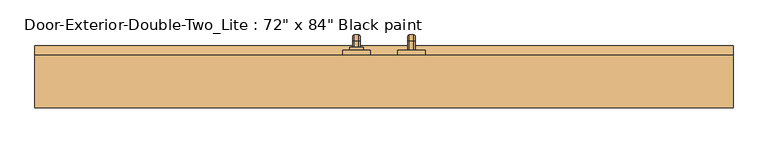
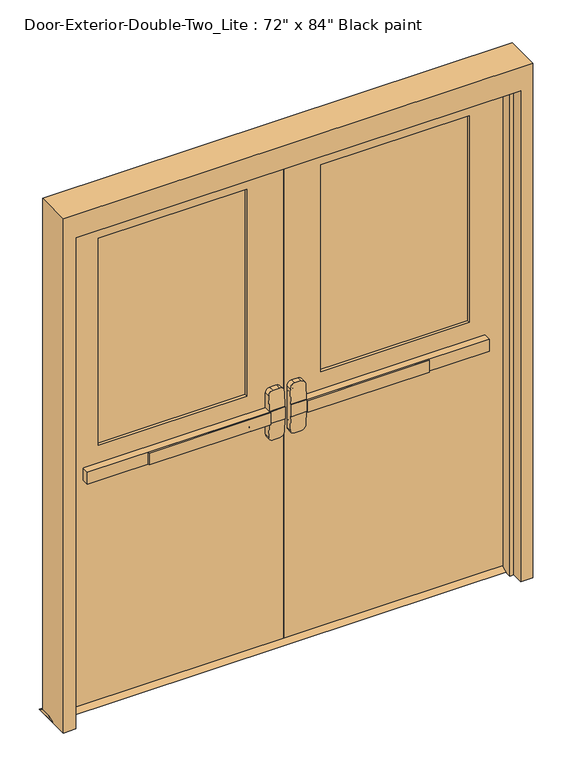
"""IFC4 building model written with IfcOpenShell, lengths in millimetres: door geometry."""

from ifc_helpers import new_model, si_unit, point, frame, frame_2d, origin, place, context, project, spatial, polyline, circle_curve, ellipse_curve, trimmed, segment, composite_curve, outline, extrude, faceted_brep, source, transform, mapped, element, save
from ifc_brep_helpers import plane_surface, cylinder_surface, revolved_surface, advanced_brep


def door_dd08a0de(model_context):
    return source(origin(), model_context, "Body", "SolidModel", [
        extrude(outline(polyline([(-575.7333333, 74.6125), (-575.7333333, 80.9625), (-76.2, 80.9625), (-76.2, 74.6125), (-575.7333333, 74.6125)])), frame((0.0, 0.0, 990.6), z_axis=(0.0, 0.0, 1.0), x_axis=(1.0, 0.0, 0.0)), (0.0, 0.0, 1.0), 50.8),
        advanced_brep(
        [(-12.7, 80.9625, 1041.4), (-76.2, 80.9625, 1041.4), (-825.5, 80.9625, 1041.4), (-825.5, 80.9625, 990.6), (-76.2, 80.9625, 990.6), (-12.7, 80.9625, 990.6), (-825.5, 112.7125, 1041.4), (-76.2, 112.7125, 1041.4), (-76.2, 112.7125, 1104.9), (-57.15, 112.7125, 1123.95), (-31.75, 112.7125, 1123.95), (-12.7, 112.7125, 1104.9), (-12.7, 112.7125, 927.1), (-31.75, 112.7125, 908.05), (-57.15, 112.7125, 908.05), (-76.2, 112.7125, 927.1), (-76.2, 112.7125, 990.6), (-825.5, 112.7125, 990.6), (-12.7, 84.1377467, 1041.4), (-76.2, 84.1377467, 1041.4), (-12.7, 84.1377467, 990.6), (-12.7, 89.1479269, 927.1), (-12.7, 89.1479269, 1104.9), (-76.2, 84.1377467, 990.6), (-76.2, 89.1479269, 1104.9), (-76.2, 89.1479269, 927.1), (-57.15, 90.650981, 1123.95), (-31.75, 90.650981, 1123.95), (-31.75, 90.650981, 908.05), (-57.15, 90.650981, 908.05)],
        [
            (0, 1),
            (1, 2),
            (2, 3),
            (3, 4),
            (4, 5),
            (5, 0),
            (6, 7),
            (7, 8),
            (8, 9, circle_curve(frame((-57.15, 112.7125, 1104.9), z_axis=(0.0, 1.0, 0.0), x_axis=(-1.0, 0.0, 0.0)), 19.05)),
            (9, 10),
            (10, 11, circle_curve(frame((-31.75, 112.7125, 1104.9), z_axis=(0.0, 1.0, 0.0), x_axis=(-1.0, 0.0, 0.0)), 19.05)),
            (11, 12),
            (12, 13, circle_curve(frame((-31.75, 112.7125, 927.1), z_axis=(0.0, 1.0, 0.0), x_axis=(-1.0, 0.0, 0.0)), 19.05)),
            (13, 14),
            (14, 15, circle_curve(frame((-57.15, 112.7125, 927.1), z_axis=(0.0, 1.0, 0.0), x_axis=(-1.0, 0.0, 0.0)), 19.05)),
            (15, 16),
            (16, 17),
            (17, 6),
            (0, 18),
            (18, 19),
            (19, 7),
            (6, 2),
            (5, 20),
            (20, 21),
            (21, 12),
            (11, 22),
            (22, 18),
            (16, 23),
            (23, 20),
            (3, 17),
            (19, 24),
            (24, 8),
            (15, 25),
            (25, 23),
            (9, 26),
            (26, 27),
            (27, 10),
            (13, 28),
            (28, 29),
            (29, 14),
            (29, 25, ellipse_curve(frame((-57.15, 89.1479269, 927.1), z_axis=(0.0, 0.9969018152893365, 0.07865602756830282), x_axis=(0.0, -0.07865602756830208, 0.9969018152893365)), 19.1092038, 19.05)),
            (24, 26, ellipse_curve(frame((-57.15, 89.1479269, 1104.9), z_axis=(0.0, 0.9969018152893376, -0.07865602756828934), x_axis=(0.0, -0.078656027568288, -0.9969018152893377)), 19.1092038, 19.05)),
            (27, 22, ellipse_curve(frame((-31.75, 89.1479269, 1104.9), z_axis=(0.0, 0.9969018152893376, -0.07865602756828934), x_axis=(0.0, -0.078656027568288, -0.9969018152893377)), 19.1092038, 19.05)),
            (21, 28, ellipse_curve(frame((-31.75, 89.1479269, 927.1), z_axis=(0.0, 0.9969018152893365, 0.07865602756830282), x_axis=(0.0, -0.07865602756830208, 0.9969018152893365)), 19.1092038, 19.05)),
        ],
        [
            plane_surface(frame((-12.7, 80.9625, 1041.4), z_axis=(0.0, -1.0, 0.0), x_axis=(1.0, 0.0, 0.0))),
            plane_surface(frame((-12.7, 112.7125, 1041.4), z_axis=(0.0, 1.0, 0.0), x_axis=(-1.0, 0.0, 0.0))),
            plane_surface(frame((-825.5, 80.9625, 1041.4), z_axis=(0.0, 0.0, 1.0), x_axis=(0.0, 1.0, 0.0))),
            plane_surface(frame((-12.7, 80.9625, 1041.4), z_axis=(1.0, 0.0, 0.0), x_axis=(0.0, 1.0, 0.0))),
            plane_surface(frame((-12.7, 80.9625, 990.6), z_axis=(0.0, 0.0, -1.0), x_axis=(0.0, 1.0, 0.0))),
            plane_surface(frame((-825.5, 80.9625, 990.6), z_axis=(-1.0, 0.0, 0.0), x_axis=(0.0, 1.0, 0.0))),
            plane_surface(frame((-76.2, 84.1377467, 927.1), z_axis=(-1.0, 0.0, 0.0), x_axis=(0.0, 1.0, 0.0))),
            plane_surface(frame((-57.15, 84.1377467, 1123.95), z_axis=(0.0, 0.0, 1.0), x_axis=(0.0, 1.0, 0.0))),
            plane_surface(frame((-31.75, 84.1377467, 908.05), z_axis=(0.0, 0.0, -1.0), x_axis=(0.0, 1.0, 0.0))),
            cylinder_surface(frame((-57.15, 112.7125, 927.1), z_axis=(0.0, -1.0, 0.0), x_axis=(-1.0, 0.0, 0.0)), 19.05),
            cylinder_surface(frame((-57.15, 112.7125, 1104.9), z_axis=(0.0, -1.0, 0.0), x_axis=(-1.0, 0.0, 0.0)), 19.05),
            cylinder_surface(frame((-31.75, 112.7125, 1104.9), z_axis=(0.0, -1.0, 0.0), x_axis=(-1.0, 0.0, 0.0)), 19.05),
            cylinder_surface(frame((-31.75, 112.7125, 927.1), z_axis=(0.0, -1.0, 0.0), x_axis=(-1.0, 0.0, 0.0)), 19.05),
            plane_surface(frame((-76.2, 84.1377467, 1041.4), z_axis=(0.0, -0.9969018152893376, 0.07865602756828934), x_axis=(1.0, 0.0, 0.0))),
            plane_surface(frame((-76.2, 90.650981, 908.05), z_axis=(0.0, -0.9969018152893365, -0.07865602756830282), x_axis=(1.0, 0.0, 0.0))),
        ],
        [
            (0, [[1, 2, 3, 4, 5, 6]]),
            (1, [[7, 8, 9, 10, 11, 12, 13, 14, 15, 16, 17, 18]]),
            (2, [[-2, -1, 19, 20, 21, -7, 22]]),
            (3, [[23, 24, 25, -12, 26, 27, -19, -6]]),
            (4, [[-17, 28, 29, -23, -5, -4, 30]]),
            (5, [[-22, -18, -30, -3]]),
            (6, [[-21, 31, 32, -8]]),
            (6, [[33, 34, -28, -16]]),
            (7, [[35, 36, 37, -10]]),
            (8, [[38, 39, 40, -14]]),
            (9, [[-40, 41, -33, -15]]),
            (10, [[-32, 42, -35, -9]]),
            (11, [[-37, 43, -26, -11]]),
            (12, [[-25, 44, -38, -13]]),
            (13, [[-27, -43, -36, -42, -31, -20]]),
            (14, [[-29, -34, -41, -39, -44, -24]]),
        ],
    ),
        extrude(outline(polyline([(157.1625, 12.7), (182.5625, 0.0), (87.3125, 0.0), (112.7125, 12.7), (157.1625, 12.7)])), frame((-965.2, 0.0, 0.0), z_axis=(1.0, 0.0, 0.0), x_axis=(0.0, 1.0, 0.0)), (0.0, 0.0, 1.0), 1930.4),
        extrude(outline(polyline([(575.7333333, 74.6125), (76.2, 74.6125), (76.2, 80.9625), (575.7333333, 80.9625), (575.7333333, 74.6125)])), frame((0.0, 0.0, 990.6), z_axis=(0.0, 0.0, 1.0), x_axis=(1.0, 0.0, 0.0)), (0.0, 0.0, 1.0), 50.8),
        advanced_brep(
        [(12.7, 80.9625, 1041.4), (12.7, 80.9625, 990.6), (76.2, 80.9625, 990.6), (825.5, 80.9625, 990.6), (825.5, 80.9625, 1041.4), (76.2, 80.9625, 1041.4), (825.5, 112.7125, 1041.4), (825.5, 112.7125, 990.6), (76.2, 112.7125, 990.6), (76.2, 112.7125, 927.1), (57.15, 112.7125, 908.05), (31.75, 112.7125, 908.05), (12.7, 112.7125, 927.1), (12.7, 112.7125, 1104.9), (31.75, 112.7125, 1123.95), (57.15, 112.7125, 1123.95), (76.2, 112.7125, 1104.9), (76.2, 112.7125, 1041.4), (76.2, 84.1377467, 1041.4), (12.7, 84.1377467, 1041.4), (12.7, 89.1479269, 1104.9), (12.7, 89.1479269, 927.1), (12.7, 84.1377467, 990.6), (76.2, 84.1377467, 990.6), (76.2, 89.1479269, 927.1), (76.2, 89.1479269, 1104.9), (31.75, 90.650981, 1123.95), (57.15, 90.650981, 1123.95), (57.15, 90.650981, 908.05), (31.75, 90.650981, 908.05)],
        [
            (0, 1),
            (1, 2),
            (2, 3),
            (3, 4),
            (4, 5),
            (5, 0),
            (6, 7),
            (7, 8),
            (8, 9),
            (9, 10, circle_curve(frame((57.15, 112.7125, 927.1), z_axis=(0.0, 1.0, 0.0), x_axis=(1.0, 0.0, 0.0)), 19.05)),
            (10, 11),
            (11, 12, circle_curve(frame((31.75, 112.7125, 927.1), z_axis=(0.0, 1.0, 0.0), x_axis=(1.0, 0.0, 0.0)), 19.05)),
            (12, 13),
            (13, 14, circle_curve(frame((31.75, 112.7125, 1104.9), z_axis=(0.0, 1.0, 0.0), x_axis=(1.0, 0.0, 0.0)), 19.05)),
            (14, 15),
            (15, 16, circle_curve(frame((57.15, 112.7125, 1104.9), z_axis=(0.0, 1.0, 0.0), x_axis=(1.0, 0.0, 0.0)), 19.05)),
            (16, 17),
            (17, 6),
            (4, 6),
            (17, 18),
            (18, 19),
            (19, 0),
            (19, 20),
            (20, 13),
            (12, 21),
            (21, 22),
            (22, 1),
            (7, 3),
            (22, 23),
            (23, 8),
            (23, 24),
            (24, 9),
            (16, 25),
            (25, 18),
            (14, 26),
            (26, 27),
            (27, 15),
            (10, 28),
            (28, 29),
            (29, 11),
            (24, 28, ellipse_curve(frame((57.15, 89.1479269, 927.1), z_axis=(0.0, 0.9969018152893365, 0.07865602756830282), x_axis=(0.0, -0.07865602756830208, 0.9969018152893365)), 19.1092038, 19.05)),
            (27, 25, ellipse_curve(frame((57.15, 89.1479269, 1104.9), z_axis=(0.0, 0.9969018152893376, -0.07865602756828934), x_axis=(0.0, -0.078656027568288, -0.9969018152893377)), 19.1092038, 19.05)),
            (20, 26, ellipse_curve(frame((31.75, 89.1479269, 1104.9), z_axis=(0.0, 0.9969018152893376, -0.07865602756828934), x_axis=(0.0, -0.078656027568288, -0.9969018152893377)), 19.1092038, 19.05)),
            (29, 21, ellipse_curve(frame((31.75, 89.1479269, 927.1), z_axis=(0.0, 0.9969018152893365, 0.07865602756830282), x_axis=(0.0, -0.07865602756830208, 0.9969018152893365)), 19.1092038, 19.05)),
        ],
        [
            plane_surface(frame((12.7, 80.9625, 1041.4), z_axis=(0.0, -1.0, 0.0), x_axis=(-1.0, 0.0, 0.0))),
            plane_surface(frame((12.7, 112.7125, 1041.4), z_axis=(0.0, 1.0, 0.0), x_axis=(1.0, 0.0, 0.0))),
            plane_surface(frame((825.5, 80.9625, 1041.4), z_axis=(0.0, 0.0, 1.0), x_axis=(0.0, 1.0, 0.0))),
            plane_surface(frame((12.7, 80.9625, 1041.4), z_axis=(-1.0, 0.0, 0.0), x_axis=(0.0, 1.0, 0.0))),
            plane_surface(frame((12.7, 80.9625, 990.6), z_axis=(0.0, 0.0, -1.0), x_axis=(0.0, 1.0, 0.0))),
            plane_surface(frame((825.5, 80.9625, 990.6), z_axis=(1.0, 0.0, 0.0), x_axis=(0.0, 1.0, 0.0))),
            plane_surface(frame((76.2, 84.1377467, 927.1), z_axis=(1.0, 0.0, 0.0), x_axis=(0.0, 1.0, 0.0))),
            plane_surface(frame((57.15, 84.1377467, 1123.95), z_axis=(0.0, 0.0, 1.0), x_axis=(0.0, 1.0, 0.0))),
            plane_surface(frame((31.75, 84.1377467, 908.05), z_axis=(0.0, 0.0, -1.0), x_axis=(0.0, 1.0, 0.0))),
            cylinder_surface(frame((57.15, 112.7125, 927.1), z_axis=(0.0, -1.0, 0.0), x_axis=(1.0, 0.0, 0.0)), 19.05),
            cylinder_surface(frame((57.15, 112.7125, 1104.9), z_axis=(0.0, -1.0, 0.0), x_axis=(1.0, 0.0, 0.0)), 19.05),
            cylinder_surface(frame((31.75, 112.7125, 1104.9), z_axis=(0.0, -1.0, 0.0), x_axis=(1.0, 0.0, 0.0)), 19.05),
            cylinder_surface(frame((31.75, 112.7125, 927.1), z_axis=(0.0, -1.0, 0.0), x_axis=(1.0, 0.0, 0.0)), 19.05),
            plane_surface(frame((76.2, 84.1377467, 1041.4), z_axis=(0.0, -0.9969018152893376, 0.07865602756828934), x_axis=(-1.0, 0.0, 0.0))),
            plane_surface(frame((76.2, 90.650981, 908.05), z_axis=(0.0, -0.9969018152893365, -0.07865602756830282), x_axis=(-1.0, 0.0, 0.0))),
        ],
        [
            (0, [[1, 2, 3, 4, 5, 6]]),
            (1, [[7, 8, 9, 10, 11, 12, 13, 14, 15, 16, 17, 18]]),
            (2, [[19, -18, 20, 21, 22, -6, -5]]),
            (3, [[-1, -22, 23, 24, -13, 25, 26, 27]]),
            (4, [[28, -3, -2, -27, 29, 30, -8]]),
            (5, [[-4, -28, -7, -19]]),
            (6, [[-9, -30, 31, 32]]),
            (6, [[-17, 33, 34, -20]]),
            (7, [[-15, 35, 36, 37]]),
            (8, [[-11, 38, 39, 40]]),
            (9, [[-10, -32, 41, -38]]),
            (10, [[-16, -37, 42, -33]]),
            (11, [[-14, -24, 43, -35]]),
            (12, [[-12, -40, 44, -25]]),
            (13, [[-21, -34, -42, -36, -43, -23]]),
            (14, [[-26, -44, -39, -41, -31, -29]]),
        ],
    ),
        advanced_brep(
        [(66.2, 169.8625, 1017.190625), (66.2, 169.8625, 1014.809375), (69.771875, 169.8625, 1011.2375), (82.6284594, 169.8625, 1011.2375), (86.2, 169.8625, 1014.8090406), (86.2, 169.8625, 1017.190625), (82.628125, 169.8625, 1020.7625), (69.771875, 169.8625, 1020.7625), (66.2, 169.8625, 887.809375), (69.771875, 169.8625, 884.2375), (82.628125, 169.8625, 884.2375), (86.2, 169.8625, 887.809375), (86.2, 169.8625, 890.1909594), (82.6284594, 169.8625, 893.7625), (69.771875, 169.8625, 893.7625), (66.2, 169.8625, 890.190625), (66.2, 195.2625, 1017.190625), (66.2, 209.153125, 1003.3), (66.2, 209.153125, 901.7), (66.2, 195.2625, 887.809375), (66.2, 195.2625, 890.190625), (66.2, 206.771875, 901.7), (66.2, 206.771875, 1003.3), (66.2, 195.2625, 1014.809375), (69.771875, 195.2625, 1011.2375), (82.6284594, 195.2625, 1011.2375), (86.2, 195.2625, 1014.8090406), (86.2, 206.7715406, 1003.3), (86.2, 206.7715406, 901.7), (86.2, 195.2625, 890.1909594), (86.2, 195.2625, 887.809375), (86.2, 209.153125, 901.7), (86.2, 209.153125, 1003.3), (86.2, 195.2625, 1017.190625), (82.628125, 195.2625, 1020.7625), (69.771875, 195.2625, 1020.7625), (69.771875, 203.2, 1003.3), (82.6284594, 203.2, 1003.3), (82.628125, 212.725, 1003.3), (69.771875, 212.725, 1003.3), (69.771875, 203.2, 901.7), (82.6284594, 203.2, 901.7), (82.628125, 212.725, 901.7), (69.771875, 212.725, 901.7), (69.771875, 195.2625, 893.7625), (82.6284594, 195.2625, 893.7625), (82.628125, 195.2625, 884.2375), (69.771875, 195.2625, 884.2375)],
        [
            (0, 1),
            (1, 2, circle_curve(frame((69.771875, 169.8625, 1014.809375), z_axis=(0.0, -1.0, 0.0), x_axis=(0.0, 0.0, 1.0)), 3.571875)),
            (2, 3),
            (3, 4, circle_curve(frame((82.6284594, 169.8625, 1014.8090406), z_axis=(0.0, -1.0, 0.0), x_axis=(0.0, 0.0, 1.0)), 3.5715406)),
            (4, 5),
            (5, 6, circle_curve(frame((82.628125, 169.8625, 1017.190625), z_axis=(0.0, -1.0, 0.0), x_axis=(0.0, 0.0, 1.0)), 3.571875)),
            (6, 7),
            (7, 0, circle_curve(frame((69.771875, 169.8625, 1017.190625), z_axis=(0.0, -1.0, 0.0), x_axis=(0.0, 0.0, 1.0)), 3.571875)),
            (8, 9, circle_curve(frame((69.771875, 169.8625, 887.809375), z_axis=(0.0, -1.0, 0.0), x_axis=(0.0, 0.0, -1.0)), 3.571875)),
            (9, 10),
            (10, 11, circle_curve(frame((82.628125, 169.8625, 887.809375), z_axis=(0.0, -1.0, 0.0), x_axis=(0.0, 0.0, -1.0)), 3.571875)),
            (11, 12),
            (12, 13, circle_curve(frame((82.6284594, 169.8625, 890.1909594), z_axis=(0.0, -1.0, 0.0), x_axis=(0.0, 0.0, -1.0)), 3.5715406)),
            (13, 14),
            (14, 15, circle_curve(frame((69.771875, 169.8625, 890.190625), z_axis=(0.0, -1.0, 0.0), x_axis=(0.0, 0.0, -1.0)), 3.571875)),
            (15, 8),
            (0, 16),
            (16, 17, circle_curve(frame((66.2, 195.2625, 1003.3), z_axis=(-1.0, 0.0, 0.0), x_axis=(0.0, 0.0, 1.0)), 13.890625)),
            (17, 18),
            (18, 19, circle_curve(frame((66.2, 195.2625, 901.7), z_axis=(-1.0, 0.0, 0.0), x_axis=(0.0, 1.0, 0.0)), 13.890625)),
            (19, 8),
            (15, 20),
            (20, 21, circle_curve(frame((66.2, 195.2625, 901.7), z_axis=(1.0, 0.0, 0.0), x_axis=(0.0, 1.0, 0.0)), 11.509375)),
            (21, 22),
            (22, 23, circle_curve(frame((66.2, 195.2625, 1003.3), z_axis=(1.0, 0.0, 0.0), x_axis=(0.0, 0.0, 1.0)), 11.509375)),
            (23, 1),
            (23, 24, circle_curve(frame((69.771875, 195.2625, 1014.809375), z_axis=(0.0, -1.0, 0.0), x_axis=(0.0, 0.0, 1.0)), 3.571875)),
            (24, 2),
            (24, 25),
            (25, 3),
            (25, 26, circle_curve(frame((82.6284594, 195.2625, 1014.8090406), z_axis=(0.0, -1.0, 0.0), x_axis=(0.0, 0.0, 1.0)), 3.5715406)),
            (26, 4),
            (26, 27, circle_curve(frame((86.2, 195.2625, 1003.3), z_axis=(-1.0, 0.0, 0.0), x_axis=(0.0, 0.0, 1.0)), 11.5090406)),
            (27, 28),
            (28, 29, circle_curve(frame((86.2, 195.2625, 901.7), z_axis=(-1.0, 0.0, 0.0), x_axis=(0.0, 1.0, 0.0)), 11.5090406)),
            (29, 12),
            (11, 30),
            (30, 31, circle_curve(frame((86.2, 195.2625, 901.7), z_axis=(1.0, 0.0, 0.0), x_axis=(0.0, 1.0, 0.0)), 13.890625)),
            (31, 32),
            (32, 33, circle_curve(frame((86.2, 195.2625, 1003.3), z_axis=(1.0, 0.0, 0.0), x_axis=(0.0, 0.0, 1.0)), 13.890625)),
            (33, 5),
            (33, 34, circle_curve(frame((82.628125, 195.2625, 1017.190625), z_axis=(0.0, -1.0, 0.0), x_axis=(0.0, 0.0, 1.0)), 3.571875)),
            (34, 6),
            (34, 35),
            (35, 7),
            (35, 16, circle_curve(frame((69.771875, 195.2625, 1017.190625), z_axis=(0.0, -1.0, 0.0), x_axis=(0.0, 0.0, 1.0)), 3.571875)),
            (36, 24, circle_curve(frame((69.771875, 195.2625, 1003.3), z_axis=(1.0, 0.0, 0.0), x_axis=(0.0, 0.0, 1.0)), 7.9375)),
            (22, 36, circle_curve(frame((69.771875, 206.771875, 1003.3), z_axis=(0.0, 0.0, 1.0), x_axis=(0.0, 1.0, 0.0)), 3.571875)),
            (37, 25, circle_curve(frame((82.6284594, 195.2625, 1003.3), z_axis=(1.0, 0.0, 0.0), x_axis=(0.0, 0.0, 1.0)), 7.9375)),
            (36, 37),
            (37, 27, circle_curve(frame((82.6284594, 206.7715406, 1003.3), z_axis=(0.0, 0.0, 1.0), x_axis=(0.0, 1.0, 0.0)), 3.5715406)),
            (38, 34, circle_curve(frame((82.628125, 195.2625, 1003.3), z_axis=(1.0, 0.0, 0.0), x_axis=(0.0, 0.0, 1.0)), 17.4625)),
            (32, 38, circle_curve(frame((82.628125, 209.153125, 1003.3), z_axis=(0.0, 0.0, 1.0), x_axis=(0.0, 1.0, 0.0)), 3.571875)),
            (39, 35, circle_curve(frame((69.771875, 195.2625, 1003.3), z_axis=(1.0, 0.0, 0.0), x_axis=(0.0, 0.0, 1.0)), 17.4625)),
            (38, 39),
            (39, 17, circle_curve(frame((69.771875, 209.153125, 1003.3), z_axis=(0.0, 0.0, 1.0), x_axis=(0.0, 1.0, 0.0)), 3.571875)),
            (21, 40, circle_curve(frame((69.771875, 206.771875, 901.7), z_axis=(0.0, 0.0, 1.0), x_axis=(0.0, 1.0, 0.0)), 3.571875)),
            (40, 36),
            (40, 41),
            (41, 37),
            (41, 28, circle_curve(frame((82.6284594, 206.7715406, 901.7), z_axis=(0.0, 0.0, 1.0), x_axis=(0.0, 1.0, 0.0)), 3.5715406)),
            (31, 42, circle_curve(frame((82.628125, 209.153125, 901.7), z_axis=(0.0, 0.0, 1.0), x_axis=(0.0, 1.0, 0.0)), 3.571875)),
            (42, 38),
            (42, 43),
            (43, 39),
            (43, 18, circle_curve(frame((69.771875, 209.153125, 901.7), z_axis=(0.0, 0.0, 1.0), x_axis=(0.0, 1.0, 0.0)), 3.571875)),
            (44, 40, circle_curve(frame((69.771875, 195.2625, 901.7), z_axis=(1.0, 0.0, 0.0), x_axis=(0.0, 1.0, 0.0)), 7.9375)),
            (20, 44, circle_curve(frame((69.771875, 195.2625, 890.190625), z_axis=(0.0, 1.0, 0.0), x_axis=(0.0, 0.0, -1.0)), 3.571875)),
            (45, 41, circle_curve(frame((82.6284594, 195.2625, 901.7), z_axis=(1.0, 0.0, 0.0), x_axis=(0.0, 1.0, 0.0)), 7.9375)),
            (44, 45),
            (45, 29, circle_curve(frame((82.6284594, 195.2625, 890.1909594), z_axis=(0.0, 1.0, 0.0), x_axis=(0.0, 0.0, -1.0)), 3.5715406)),
            (46, 42, circle_curve(frame((82.628125, 195.2625, 901.7), z_axis=(1.0, 0.0, 0.0), x_axis=(0.0, 1.0, 0.0)), 17.4625)),
            (30, 46, circle_curve(frame((82.628125, 195.2625, 887.809375), z_axis=(0.0, 1.0, 0.0), x_axis=(0.0, 0.0, -1.0)), 3.571875)),
            (47, 43, circle_curve(frame((69.771875, 195.2625, 901.7), z_axis=(1.0, 0.0, 0.0), x_axis=(0.0, 1.0, 0.0)), 17.4625)),
            (46, 47),
            (47, 19, circle_curve(frame((69.771875, 195.2625, 887.809375), z_axis=(0.0, 1.0, 0.0), x_axis=(0.0, 0.0, -1.0)), 3.571875)),
            (14, 44),
            (13, 45),
            (10, 46),
            (9, 47),
        ],
        [
            plane_surface(frame((76.2, 169.8625, 1016.0), z_axis=(0.0, -1.0, 0.0), x_axis=(1.0, 0.0, 0.0))),
            plane_surface(frame((76.2, 169.8625, 889.0), z_axis=(0.0, -1.0, 0.0), x_axis=(1.0, 0.0, 0.0))),
            plane_surface(frame((66.2, 169.8625, 1017.190625), z_axis=(-1.0, 0.0, 0.0), x_axis=(0.0, 1.0, 0.0))),
            cylinder_surface(frame((69.771875, 169.8625, 1014.809375), z_axis=(0.0, -1.0, 0.0), x_axis=(0.0, 0.0, 1.0)), 3.571875),
            plane_surface(frame((69.771875, 169.8625, 1011.2375), z_axis=(0.0, 0.0, -1.0), x_axis=(0.0, 1.0, 0.0))),
            cylinder_surface(frame((82.6284594, 169.8625, 1014.8090406), z_axis=(0.0, -1.0, 0.0), x_axis=(0.0, 0.0, 1.0)), 3.5715406),
            plane_surface(frame((86.2, 169.8625, 1014.8090406), z_axis=(1.0, 0.0, 0.0), x_axis=(0.0, 1.0, 0.0))),
            cylinder_surface(frame((82.628125, 169.8625, 1017.190625), z_axis=(0.0, -1.0, 0.0), x_axis=(0.0, 0.0, 1.0)), 3.571875),
            plane_surface(frame((82.628125, 169.8625, 1020.7625), z_axis=(0.0, 0.0, 1.0), x_axis=(0.0, 1.0, 0.0))),
            cylinder_surface(frame((69.771875, 169.8625, 1017.190625), z_axis=(0.0, -1.0, 0.0), x_axis=(0.0, 0.0, 1.0)), 3.571875),
            revolved_surface(trimmed(ellipse_curve(frame((69.771875, 195.2625, 1014.809375), z_axis=(0.0, -1.0, 0.0), x_axis=(0.0, 0.0, 1.0)), 3.571875, 3.571875), [point((66.2, 195.2625, 1014.809375))], [point((69.771875, 195.2625, 1011.2375))], True, "CARTESIAN"), (76.2, 195.2625, 1003.3), (-1.0, 0.0, 0.0)),
            revolved_surface(polyline([(69.771875, 195.2625, 1011.2375), (82.6284594, 195.2625, 1011.2375)]), (76.2, 195.2625, 1003.3), (-1.0, 0.0, 0.0)),
            revolved_surface(trimmed(ellipse_curve(frame((82.6284594, 195.2625, 1014.8090406), z_axis=(0.0, -1.0, 0.0), x_axis=(0.0, 0.0, 1.0)), 3.5715406, 3.5715406), [point((82.6284594, 195.2625, 1011.2375))], [point((86.2, 195.2625, 1014.8090406))], True, "CARTESIAN"), (76.2, 195.2625, 1003.3), (-1.0, 0.0, 0.0)),
            revolved_surface(trimmed(ellipse_curve(frame((82.628125, 195.2625, 1017.190625), z_axis=(0.0, -1.0, 0.0), x_axis=(0.0, 0.0, 1.0)), 3.571875, 3.571875), [point((86.2, 195.2625, 1017.190625))], [point((82.628125, 195.2625, 1020.7625))], True, "CARTESIAN"), (76.2, 195.2625, 1003.3), (-1.0, 0.0, 0.0)),
            cylinder_surface(frame((76.2, 195.2625, 1003.3), z_axis=(-1.0, 0.0, 0.0), x_axis=(0.0, 0.0, 1.0)), 17.4625),
            revolved_surface(trimmed(ellipse_curve(frame((69.771875, 195.2625, 1017.190625), z_axis=(0.0, -1.0, 0.0), x_axis=(0.0, 0.0, 1.0)), 3.571875, 3.571875), [point((69.771875, 195.2625, 1020.7625))], [point((66.2, 195.2625, 1017.190625))], True, "CARTESIAN"), (76.2, 195.2625, 1003.3), (-1.0, 0.0, 0.0)),
            cylinder_surface(frame((69.771875, 206.771875, 1003.3), z_axis=(0.0, 0.0, 1.0), x_axis=(0.0, 1.0, 0.0)), 3.571875),
            plane_surface(frame((69.771875, 203.2, 1003.3), z_axis=(0.0, -1.0, 0.0), x_axis=(0.0, 0.0, -1.0))),
            cylinder_surface(frame((82.6284594, 206.7715406, 1003.3), z_axis=(0.0, 0.0, 1.0), x_axis=(0.0, 1.0, 0.0)), 3.5715406),
            cylinder_surface(frame((82.628125, 209.153125, 1003.3), z_axis=(0.0, 0.0, 1.0), x_axis=(0.0, 1.0, 0.0)), 3.571875),
            plane_surface(frame((82.628125, 212.725, 1003.3), z_axis=(0.0, 1.0, 0.0), x_axis=(0.0, 0.0, -1.0))),
            cylinder_surface(frame((69.771875, 209.153125, 1003.3), z_axis=(0.0, 0.0, 1.0), x_axis=(0.0, 1.0, 0.0)), 3.571875),
            revolved_surface(trimmed(ellipse_curve(frame((69.771875, 206.771875, 901.7), z_axis=(0.0, 0.0, 1.0), x_axis=(0.0, 1.0, 0.0)), 3.571875, 3.571875), [point((66.2, 206.771875, 901.7))], [point((69.771875, 203.2, 901.7))], True, "CARTESIAN"), (76.2, 195.2625, 901.7), (-1.0, 0.0, 0.0)),
            revolved_surface(polyline([(69.771875, 203.2, 901.7), (82.6284594, 203.2, 901.7)]), (76.2, 195.2625, 901.7), (-1.0, 0.0, 0.0)),
            revolved_surface(trimmed(ellipse_curve(frame((82.6284594, 206.7715406, 901.7), z_axis=(0.0, 0.0, 1.0), x_axis=(0.0, 1.0, 0.0)), 3.5715406, 3.5715406), [point((82.6284594, 203.2, 901.7))], [point((86.2, 206.7715406, 901.7))], True, "CARTESIAN"), (76.2, 195.2625, 901.7), (-1.0, 0.0, 0.0)),
            revolved_surface(trimmed(ellipse_curve(frame((82.628125, 209.153125, 901.7), z_axis=(0.0, 0.0, 1.0), x_axis=(0.0, 1.0, 0.0)), 3.571875, 3.571875), [point((86.2, 209.153125, 901.7))], [point((82.628125, 212.725, 901.7))], True, "CARTESIAN"), (76.2, 195.2625, 901.7), (-1.0, 0.0, 0.0)),
            cylinder_surface(frame((76.2, 195.2625, 901.7), z_axis=(-1.0, 0.0, 0.0), x_axis=(0.0, 1.0, 0.0)), 17.4625),
            revolved_surface(trimmed(ellipse_curve(frame((69.771875, 209.153125, 901.7), z_axis=(0.0, 0.0, 1.0), x_axis=(0.0, 1.0, 0.0)), 3.571875, 3.571875), [point((69.771875, 212.725, 901.7))], [point((66.2, 209.153125, 901.7))], True, "CARTESIAN"), (76.2, 195.2625, 901.7), (-1.0, 0.0, 0.0)),
            cylinder_surface(frame((69.771875, 195.2625, 890.190625), z_axis=(0.0, 1.0, 0.0), x_axis=(0.0, 0.0, -1.0)), 3.571875),
            plane_surface(frame((69.771875, 195.2625, 893.7625), z_axis=(0.0, 0.0, 1.0), x_axis=(0.0, -1.0, 0.0))),
            cylinder_surface(frame((82.6284594, 195.2625, 890.1909594), z_axis=(0.0, 1.0, 0.0), x_axis=(0.0, 0.0, -1.0)), 3.5715406),
            cylinder_surface(frame((82.628125, 195.2625, 887.809375), z_axis=(0.0, 1.0, 0.0), x_axis=(0.0, 0.0, -1.0)), 3.571875),
            plane_surface(frame((82.628125, 195.2625, 884.2375), z_axis=(0.0, 0.0, -1.0), x_axis=(0.0, -1.0, 0.0))),
            cylinder_surface(frame((69.771875, 195.2625, 887.809375), z_axis=(0.0, 1.0, 0.0), x_axis=(0.0, 0.0, -1.0)), 3.571875),
        ],
        [
            (0, [[1, 2, 3, 4, 5, 6, 7, 8]]),
            (1, [[9, 10, 11, 12, 13, 14, 15, 16]]),
            (2, [[-1, 17, 18, 19, 20, 21, -16, 22, 23, 24, 25, 26]]),
            (3, [[-2, -26, 27, 28]]),
            (4, [[-3, -28, 29, 30]]),
            (5, [[-4, -30, 31, 32]]),
            (6, [[-5, -32, 33, 34, 35, 36, -12, 37, 38, 39, 40, 41]]),
            (7, [[-6, -41, 42, 43]]),
            (8, [[-7, -43, 44, 45]]),
            (9, [[-8, -45, 46, -17]]),
            (10, [[47, -27, -25, 48]]),
            (11, [[49, -29, -47, 50]]),
            (12, [[-33, -31, -49, 51]]),
            (13, [[52, -42, -40, 53]]),
            (14, [[54, -44, -52, 55]]),
            (15, [[-18, -46, -54, 56]]),
            (16, [[-48, -24, 57, 58]]),
            (17, [[-50, -58, 59, 60]]),
            (18, [[-51, -60, 61, -34]]),
            (19, [[-53, -39, 62, 63]]),
            (20, [[-55, -63, 64, 65]]),
            (21, [[-56, -65, 66, -19]]),
            (22, [[67, -57, -23, 68]]),
            (23, [[69, -59, -67, 70]]),
            (24, [[-35, -61, -69, 71]]),
            (25, [[72, -62, -38, 73]]),
            (26, [[74, -64, -72, 75]]),
            (27, [[-20, -66, -74, 76]]),
            (28, [[-68, -22, -15, 77]]),
            (29, [[-70, -77, -14, 78]]),
            (30, [[-71, -78, -13, -36]]),
            (31, [[-73, -37, -11, 79]]),
            (32, [[-75, -79, -10, 80]]),
            (33, [[-76, -80, -9, -21]]),
        ],
    ),
        extrude(outline(composite_curve([segment(trimmed(circle_curve(frame_2d((1113.0338574, 76.2)), 89.3016225), [point((1193.8, 114.3))], [point((1193.8, 38.1))], False, "CARTESIAN"), True, "CONTINUOUS"), segment(polyline([(1193.8, 38.1), (838.2, 38.1)]), True, "CONTINUOUS"), segment(trimmed(circle_curve(frame_2d((918.9661426, 76.2)), 89.3016225), [point((838.2, 38.1))], [point((838.2, 114.3))], False, "CARTESIAN"), True, "CONTINUOUS"), segment(polyline([(838.2, 114.3), (1193.8, 114.3)]), True, "CONTINUOUS")], self_intersect=False)), frame((0.0, 157.1625, 0.0), z_axis=(0.0, 1.0, 0.0), x_axis=(0.0, 0.0, 1.0)), (0.0, 0.0, 1.0), 12.7),
        advanced_brep(
        [(-86.2, 169.8625, 1017.190625), (-86.2, 169.8625, 1014.809375), (-82.628125, 169.8625, 1011.2375), (-69.7715406, 169.8625, 1011.2375), (-66.2, 169.8625, 1014.8090406), (-66.2, 169.8625, 1017.190625), (-69.771875, 169.8625, 1020.7625), (-82.628125, 169.8625, 1020.7625), (-86.2, 169.8625, 887.809375), (-82.628125, 169.8625, 884.2375), (-69.771875, 169.8625, 884.2375), (-66.2, 169.8625, 887.809375), (-66.2, 169.8625, 890.1909594), (-69.7715406, 169.8625, 893.7625), (-82.628125, 169.8625, 893.7625), (-86.2, 169.8625, 890.190625), (-86.2, 195.2625, 1017.190625), (-86.2, 209.153125, 1003.3), (-86.2, 209.153125, 901.7), (-86.2, 195.2625, 887.809375), (-86.2, 195.2625, 890.190625), (-86.2, 206.771875, 901.7), (-86.2, 206.771875, 1003.3), (-86.2, 195.2625, 1014.809375), (-82.628125, 195.2625, 1011.2375), (-69.7715406, 195.2625, 1011.2375), (-66.2, 195.2625, 1014.8090406), (-66.2, 206.7715406, 1003.3), (-66.2, 206.7715406, 901.7), (-66.2, 195.2625, 890.1909594), (-66.2, 195.2625, 887.809375), (-66.2, 209.153125, 901.7), (-66.2, 209.153125, 1003.3), (-66.2, 195.2625, 1017.190625), (-69.771875, 195.2625, 1020.7625), (-82.628125, 195.2625, 1020.7625), (-82.628125, 203.2, 1003.3), (-69.7715406, 203.2, 1003.3), (-69.771875, 212.725, 1003.3), (-82.628125, 212.725, 1003.3), (-82.628125, 203.2, 901.7), (-69.7715406, 203.2, 901.7), (-69.771875, 212.725, 901.7), (-82.628125, 212.725, 901.7), (-82.628125, 195.2625, 893.7625), (-69.7715406, 195.2625, 893.7625), (-69.771875, 195.2625, 884.2375), (-82.628125, 195.2625, 884.2375)],
        [
            (0, 1),
            (1, 2, circle_curve(frame((-82.628125, 169.8625, 1014.809375), z_axis=(0.0, -1.0, 0.0), x_axis=(0.0, 0.0, 1.0)), 3.571875)),
            (2, 3),
            (3, 4, circle_curve(frame((-69.7715406, 169.8625, 1014.8090406), z_axis=(0.0, -1.0, 0.0), x_axis=(0.0, 0.0, 1.0)), 3.5715406)),
            (4, 5),
            (5, 6, circle_curve(frame((-69.771875, 169.8625, 1017.190625), z_axis=(0.0, -1.0, 0.0), x_axis=(0.0, 0.0, 1.0)), 3.571875)),
            (6, 7),
            (7, 0, circle_curve(frame((-82.628125, 169.8625, 1017.190625), z_axis=(0.0, -1.0, 0.0), x_axis=(0.0, 0.0, 1.0)), 3.571875)),
            (8, 9, circle_curve(frame((-82.628125, 169.8625, 887.809375), z_axis=(0.0, -1.0, 0.0), x_axis=(0.0, 0.0, -1.0)), 3.571875)),
            (9, 10),
            (10, 11, circle_curve(frame((-69.771875, 169.8625, 887.809375), z_axis=(0.0, -1.0, 0.0), x_axis=(0.0, 0.0, -1.0)), 3.571875)),
            (11, 12),
            (12, 13, circle_curve(frame((-69.7715406, 169.8625, 890.1909594), z_axis=(0.0, -1.0, 0.0), x_axis=(0.0, 0.0, -1.0)), 3.5715406)),
            (13, 14),
            (14, 15, circle_curve(frame((-82.628125, 169.8625, 890.190625), z_axis=(0.0, -1.0, 0.0), x_axis=(0.0, 0.0, -1.0)), 3.571875)),
            (15, 8),
            (0, 16),
            (16, 17, circle_curve(frame((-86.2, 195.2625, 1003.3), z_axis=(-1.0, 0.0, 0.0), x_axis=(0.0, 0.0, 1.0)), 13.890625)),
            (17, 18),
            (18, 19, circle_curve(frame((-86.2, 195.2625, 901.7), z_axis=(-1.0, 0.0, 0.0), x_axis=(0.0, 1.0, 0.0)), 13.890625)),
            (19, 8),
            (15, 20),
            (20, 21, circle_curve(frame((-86.2, 195.2625, 901.7), z_axis=(1.0, 0.0, 0.0), x_axis=(0.0, 1.0, 0.0)), 11.509375)),
            (21, 22),
            (22, 23, circle_curve(frame((-86.2, 195.2625, 1003.3), z_axis=(1.0, 0.0, 0.0), x_axis=(0.0, 0.0, 1.0)), 11.509375)),
            (23, 1),
            (23, 24, circle_curve(frame((-82.628125, 195.2625, 1014.809375), z_axis=(0.0, -1.0, 0.0), x_axis=(0.0, 0.0, 1.0)), 3.571875)),
            (24, 2),
            (24, 25),
            (25, 3),
            (25, 26, circle_curve(frame((-69.7715406, 195.2625, 1014.8090406), z_axis=(0.0, -1.0, 0.0), x_axis=(0.0, 0.0, 1.0)), 3.5715406)),
            (26, 4),
            (26, 27, circle_curve(frame((-66.2, 195.2625, 1003.3), z_axis=(-1.0, 0.0, 0.0), x_axis=(0.0, 0.0, 1.0)), 11.5090406)),
            (27, 28),
            (28, 29, circle_curve(frame((-66.2, 195.2625, 901.7), z_axis=(-1.0, 0.0, 0.0), x_axis=(0.0, 1.0, 0.0)), 11.5090406)),
            (29, 12),
            (11, 30),
            (30, 31, circle_curve(frame((-66.2, 195.2625, 901.7), z_axis=(1.0, 0.0, 0.0), x_axis=(0.0, 1.0, 0.0)), 13.890625)),
            (31, 32),
            (32, 33, circle_curve(frame((-66.2, 195.2625, 1003.3), z_axis=(1.0, 0.0, 0.0), x_axis=(0.0, 0.0, 1.0)), 13.890625)),
            (33, 5),
            (33, 34, circle_curve(frame((-69.771875, 195.2625, 1017.190625), z_axis=(0.0, -1.0, 0.0), x_axis=(0.0, 0.0, 1.0)), 3.571875)),
            (34, 6),
            (34, 35),
            (35, 7),
            (35, 16, circle_curve(frame((-82.628125, 195.2625, 1017.190625), z_axis=(0.0, -1.0, 0.0), x_axis=(0.0, 0.0, 1.0)), 3.571875)),
            (36, 24, circle_curve(frame((-82.628125, 195.2625, 1003.3), z_axis=(1.0, 0.0, 0.0), x_axis=(0.0, 0.0, 1.0)), 7.9375)),
            (22, 36, circle_curve(frame((-82.628125, 206.771875, 1003.3), z_axis=(0.0, 0.0, 1.0), x_axis=(0.0, 1.0, 0.0)), 3.571875)),
            (37, 25, circle_curve(frame((-69.7715406, 195.2625, 1003.3), z_axis=(1.0, 0.0, 0.0), x_axis=(0.0, 0.0, 1.0)), 7.9375)),
            (36, 37),
            (37, 27, circle_curve(frame((-69.7715406, 206.7715406, 1003.3), z_axis=(0.0, 0.0, 1.0), x_axis=(0.0, 1.0, 0.0)), 3.5715406)),
            (38, 34, circle_curve(frame((-69.771875, 195.2625, 1003.3), z_axis=(1.0, 0.0, 0.0), x_axis=(0.0, 0.0, 1.0)), 17.4625)),
            (32, 38, circle_curve(frame((-69.771875, 209.153125, 1003.3), z_axis=(0.0, 0.0, 1.0), x_axis=(0.0, 1.0, 0.0)), 3.571875)),
            (39, 35, circle_curve(frame((-82.628125, 195.2625, 1003.3), z_axis=(1.0, 0.0, 0.0), x_axis=(0.0, 0.0, 1.0)), 17.4625)),
            (38, 39),
            (39, 17, circle_curve(frame((-82.628125, 209.153125, 1003.3), z_axis=(0.0, 0.0, 1.0), x_axis=(0.0, 1.0, 0.0)), 3.571875)),
            (21, 40, circle_curve(frame((-82.628125, 206.771875, 901.7), z_axis=(0.0, 0.0, 1.0), x_axis=(0.0, 1.0, 0.0)), 3.571875)),
            (40, 36),
            (40, 41),
            (41, 37),
            (41, 28, circle_curve(frame((-69.7715406, 206.7715406, 901.7), z_axis=(0.0, 0.0, 1.0), x_axis=(0.0, 1.0, 0.0)), 3.5715406)),
            (31, 42, circle_curve(frame((-69.771875, 209.153125, 901.7), z_axis=(0.0, 0.0, 1.0), x_axis=(0.0, 1.0, 0.0)), 3.571875)),
            (42, 38),
            (42, 43),
            (43, 39),
            (43, 18, circle_curve(frame((-82.628125, 209.153125, 901.7), z_axis=(0.0, 0.0, 1.0), x_axis=(0.0, 1.0, 0.0)), 3.571875)),
            (44, 40, circle_curve(frame((-82.628125, 195.2625, 901.7), z_axis=(1.0, 0.0, 0.0), x_axis=(0.0, 1.0, 0.0)), 7.9375)),
            (20, 44, circle_curve(frame((-82.628125, 195.2625, 890.190625), z_axis=(0.0, 1.0, 0.0), x_axis=(0.0, 0.0, -1.0)), 3.571875)),
            (45, 41, circle_curve(frame((-69.7715406, 195.2625, 901.7), z_axis=(1.0, 0.0, 0.0), x_axis=(0.0, 1.0, 0.0)), 7.9375)),
            (44, 45),
            (45, 29, circle_curve(frame((-69.7715406, 195.2625, 890.1909594), z_axis=(0.0, 1.0, 0.0), x_axis=(0.0, 0.0, -1.0)), 3.5715406)),
            (46, 42, circle_curve(frame((-69.771875, 195.2625, 901.7), z_axis=(1.0, 0.0, 0.0), x_axis=(0.0, 1.0, 0.0)), 17.4625)),
            (30, 46, circle_curve(frame((-69.771875, 195.2625, 887.809375), z_axis=(0.0, 1.0, 0.0), x_axis=(0.0, 0.0, -1.0)), 3.571875)),
            (47, 43, circle_curve(frame((-82.628125, 195.2625, 901.7), z_axis=(1.0, 0.0, 0.0), x_axis=(0.0, 1.0, 0.0)), 17.4625)),
            (46, 47),
            (47, 19, circle_curve(frame((-82.628125, 195.2625, 887.809375), z_axis=(0.0, 1.0, 0.0), x_axis=(0.0, 0.0, -1.0)), 3.571875)),
            (14, 44),
            (13, 45),
            (10, 46),
            (9, 47),
        ],
        [
            plane_surface(frame((-76.2, 169.8625, 1016.0), z_axis=(0.0, -1.0, 0.0), x_axis=(1.0, 0.0, 0.0))),
            plane_surface(frame((-76.2, 169.8625, 889.0), z_axis=(0.0, -1.0, 0.0), x_axis=(1.0, 0.0, 0.0))),
            plane_surface(frame((-86.2, 169.8625, 1017.190625), z_axis=(-1.0, 0.0, 0.0), x_axis=(0.0, 1.0, 0.0))),
            cylinder_surface(frame((-82.628125, 169.8625, 1014.809375), z_axis=(0.0, -1.0, 0.0), x_axis=(0.0, 0.0, 1.0)), 3.571875),
            plane_surface(frame((-82.628125, 169.8625, 1011.2375), z_axis=(0.0, 0.0, -1.0), x_axis=(0.0, 1.0, 0.0))),
            cylinder_surface(frame((-69.7715406, 169.8625, 1014.8090406), z_axis=(0.0, -1.0, 0.0), x_axis=(0.0, 0.0, 1.0)), 3.5715406),
            plane_surface(frame((-66.2, 169.8625, 1014.8090406), z_axis=(1.0, 0.0, 0.0), x_axis=(0.0, 1.0, 0.0))),
            cylinder_surface(frame((-69.771875, 169.8625, 1017.190625), z_axis=(0.0, -1.0, 0.0), x_axis=(0.0, 0.0, 1.0)), 3.571875),
            plane_surface(frame((-69.771875, 169.8625, 1020.7625), z_axis=(0.0, 0.0, 1.0), x_axis=(0.0, 1.0, 0.0))),
            cylinder_surface(frame((-82.628125, 169.8625, 1017.190625), z_axis=(0.0, -1.0, 0.0), x_axis=(0.0, 0.0, 1.0)), 3.571875),
            revolved_surface(trimmed(ellipse_curve(frame((-82.628125, 195.2625, 1014.809375), z_axis=(0.0, -1.0, 0.0), x_axis=(0.0, 0.0, 1.0)), 3.571875, 3.571875), [point((-86.2, 195.2625, 1014.809375))], [point((-82.628125, 195.2625, 1011.2375))], True, "CARTESIAN"), (-76.2, 195.2625, 1003.3), (-1.0, 0.0, 0.0)),
            revolved_surface(polyline([(-82.628125, 195.2625, 1011.2375), (-69.7715406, 195.2625, 1011.2375)]), (-76.2, 195.2625, 1003.3), (-1.0, 0.0, 0.0)),
            revolved_surface(trimmed(ellipse_curve(frame((-69.7715406, 195.2625, 1014.8090406), z_axis=(0.0, -1.0, 0.0), x_axis=(0.0, 0.0, 1.0)), 3.5715406, 3.5715406), [point((-69.7715406, 195.2625, 1011.2375))], [point((-66.2, 195.2625, 1014.8090406))], True, "CARTESIAN"), (-76.2, 195.2625, 1003.3), (-1.0, 0.0, 0.0)),
            revolved_surface(trimmed(ellipse_curve(frame((-69.771875, 195.2625, 1017.190625), z_axis=(0.0, -1.0, 0.0), x_axis=(0.0, 0.0, 1.0)), 3.571875, 3.571875), [point((-66.2, 195.2625, 1017.190625))], [point((-69.771875, 195.2625, 1020.7625))], True, "CARTESIAN"), (-76.2, 195.2625, 1003.3), (-1.0, 0.0, 0.0)),
            cylinder_surface(frame((-76.2, 195.2625, 1003.3), z_axis=(-1.0, 0.0, 0.0), x_axis=(0.0, 0.0, 1.0)), 17.4625),
            revolved_surface(trimmed(ellipse_curve(frame((-82.628125, 195.2625, 1017.190625), z_axis=(0.0, -1.0, 0.0), x_axis=(0.0, 0.0, 1.0)), 3.571875, 3.571875), [point((-82.628125, 195.2625, 1020.7625))], [point((-86.2, 195.2625, 1017.190625))], True, "CARTESIAN"), (-76.2, 195.2625, 1003.3), (-1.0, 0.0, 0.0)),
            cylinder_surface(frame((-82.628125, 206.771875, 1003.3), z_axis=(0.0, 0.0, 1.0), x_axis=(0.0, 1.0, 0.0)), 3.571875),
            plane_surface(frame((-82.628125, 203.2, 1003.3), z_axis=(0.0, -1.0, 0.0), x_axis=(0.0, 0.0, -1.0))),
            cylinder_surface(frame((-69.7715406, 206.7715406, 1003.3), z_axis=(0.0, 0.0, 1.0), x_axis=(0.0, 1.0, 0.0)), 3.5715406),
            cylinder_surface(frame((-69.771875, 209.153125, 1003.3), z_axis=(0.0, 0.0, 1.0), x_axis=(0.0, 1.0, 0.0)), 3.571875),
            plane_surface(frame((-69.771875, 212.725, 1003.3), z_axis=(0.0, 1.0, 0.0), x_axis=(0.0, 0.0, -1.0))),
            cylinder_surface(frame((-82.628125, 209.153125, 1003.3), z_axis=(0.0, 0.0, 1.0), x_axis=(0.0, 1.0, 0.0)), 3.571875),
            revolved_surface(trimmed(ellipse_curve(frame((-82.628125, 206.771875, 901.7), z_axis=(0.0, 0.0, 1.0), x_axis=(0.0, 1.0, 0.0)), 3.571875, 3.571875), [point((-86.2, 206.771875, 901.7))], [point((-82.628125, 203.2, 901.7))], True, "CARTESIAN"), (-76.2, 195.2625, 901.7), (-1.0, 0.0, 0.0)),
            revolved_surface(polyline([(-82.628125, 203.2, 901.7), (-69.7715406, 203.2, 901.7)]), (-76.2, 195.2625, 901.7), (-1.0, 0.0, 0.0)),
            revolved_surface(trimmed(ellipse_curve(frame((-69.7715406, 206.7715406, 901.7), z_axis=(0.0, 0.0, 1.0), x_axis=(0.0, 1.0, 0.0)), 3.5715406, 3.5715406), [point((-69.7715406, 203.2, 901.7))], [point((-66.2, 206.7715406, 901.7))], True, "CARTESIAN"), (-76.2, 195.2625, 901.7), (-1.0, 0.0, 0.0)),
            revolved_surface(trimmed(ellipse_curve(frame((-69.771875, 209.153125, 901.7), z_axis=(0.0, 0.0, 1.0), x_axis=(0.0, 1.0, 0.0)), 3.571875, 3.571875), [point((-66.2, 209.153125, 901.7))], [point((-69.771875, 212.725, 901.7))], True, "CARTESIAN"), (-76.2, 195.2625, 901.7), (-1.0, 0.0, 0.0)),
            cylinder_surface(frame((-76.2, 195.2625, 901.7), z_axis=(-1.0, 0.0, 0.0), x_axis=(0.0, 1.0, 0.0)), 17.4625),
            revolved_surface(trimmed(ellipse_curve(frame((-82.628125, 209.153125, 901.7), z_axis=(0.0, 0.0, 1.0), x_axis=(0.0, 1.0, 0.0)), 3.571875, 3.571875), [point((-82.628125, 212.725, 901.7))], [point((-86.2, 209.153125, 901.7))], True, "CARTESIAN"), (-76.2, 195.2625, 901.7), (-1.0, 0.0, 0.0)),
            cylinder_surface(frame((-82.628125, 195.2625, 890.190625), z_axis=(0.0, 1.0, 0.0), x_axis=(0.0, 0.0, -1.0)), 3.571875),
            plane_surface(frame((-82.628125, 195.2625, 893.7625), z_axis=(0.0, 0.0, 1.0), x_axis=(0.0, -1.0, 0.0))),
            cylinder_surface(frame((-69.7715406, 195.2625, 890.1909594), z_axis=(0.0, 1.0, 0.0), x_axis=(0.0, 0.0, -1.0)), 3.5715406),
            cylinder_surface(frame((-69.771875, 195.2625, 887.809375), z_axis=(0.0, 1.0, 0.0), x_axis=(0.0, 0.0, -1.0)), 3.571875),
            plane_surface(frame((-69.771875, 195.2625, 884.2375), z_axis=(0.0, 0.0, -1.0), x_axis=(0.0, -1.0, 0.0))),
            cylinder_surface(frame((-82.628125, 195.2625, 887.809375), z_axis=(0.0, 1.0, 0.0), x_axis=(0.0, 0.0, -1.0)), 3.571875),
        ],
        [
            (0, [[1, 2, 3, 4, 5, 6, 7, 8]]),
            (1, [[9, 10, 11, 12, 13, 14, 15, 16]]),
            (2, [[-1, 17, 18, 19, 20, 21, -16, 22, 23, 24, 25, 26]]),
            (3, [[-2, -26, 27, 28]]),
            (4, [[-3, -28, 29, 30]]),
            (5, [[-4, -30, 31, 32]]),
            (6, [[-5, -32, 33, 34, 35, 36, -12, 37, 38, 39, 40, 41]]),
            (7, [[-6, -41, 42, 43]]),
            (8, [[-7, -43, 44, 45]]),
            (9, [[-8, -45, 46, -17]]),
            (10, [[47, -27, -25, 48]]),
            (11, [[49, -29, -47, 50]]),
            (12, [[-33, -31, -49, 51]]),
            (13, [[52, -42, -40, 53]]),
            (14, [[54, -44, -52, 55]]),
            (15, [[-18, -46, -54, 56]]),
            (16, [[-48, -24, 57, 58]]),
            (17, [[-50, -58, 59, 60]]),
            (18, [[-51, -60, 61, -34]]),
            (19, [[-53, -39, 62, 63]]),
            (20, [[-55, -63, 64, 65]]),
            (21, [[-56, -65, 66, -19]]),
            (22, [[67, -57, -23, 68]]),
            (23, [[69, -59, -67, 70]]),
            (24, [[-35, -61, -69, 71]]),
            (25, [[72, -62, -38, 73]]),
            (26, [[74, -64, -72, 75]]),
            (27, [[-20, -66, -74, 76]]),
            (28, [[-68, -22, -15, 77]]),
            (29, [[-70, -77, -14, 78]]),
            (30, [[-71, -78, -13, -36]]),
            (31, [[-73, -37, -11, 79]]),
            (32, [[-75, -79, -10, 80]]),
            (33, [[-76, -80, -9, -21]]),
        ],
    ),
        extrude(outline(composite_curve([segment(trimmed(circle_curve(frame_2d((1117.6, -76.2)), 19.0), [point((1117.6, -95.2))], [point((1117.6, -57.2))], False, "CARTESIAN"), True, "CONTINUOUS"), segment(trimmed(circle_curve(frame_2d((1117.6, -76.2)), 19.0), [point((1117.6, -57.2))], [point((1117.6, -95.2))], False, "CARTESIAN"), True, "CONTINUOUS")], self_intersect=False)), frame((0.0, 169.8625, 0.0), z_axis=(0.0, 1.0, 0.0), x_axis=(0.0, 0.0, 1.0)), (0.0, 0.0, 1.0), 8.73125),
        extrude(outline(composite_curve([segment(trimmed(circle_curve(frame_2d((1113.0338574, -76.2)), 89.3016225), [point((1193.8, -38.1))], [point((1193.8, -114.3))], False, "CARTESIAN"), True, "CONTINUOUS"), segment(polyline([(1193.8, -114.3), (838.2, -114.3)]), True, "CONTINUOUS"), segment(trimmed(circle_curve(frame_2d((918.9661426, -76.2)), 89.3016225), [point((838.2, -114.3))], [point((838.2, -38.1))], False, "CARTESIAN"), True, "CONTINUOUS"), segment(polyline([(838.2, -38.1), (1193.8, -38.1)]), True, "CONTINUOUS")], self_intersect=False)), frame((0.0, 157.1625, 0.0), z_axis=(0.0, 1.0, 0.0), x_axis=(0.0, 0.0, 1.0)), (0.0, 0.0, 1.0), 12.7),
        faceted_brep([(914.4, 107.95, 0.0), (914.4, 157.1625, 0.0), (965.2, 157.1625, 0.0), (965.2, 11.1125, 0.0), (914.4, 11.1125, 0.0), (914.4, 60.325, 0.0), (898.525, 60.325, 0.0), (898.525, 107.95, 0.0), (914.4, 107.95, 2133.6), (914.4, 157.1625, 2133.6), (-914.4, 157.1625, 2133.6), (-914.4, 157.1625, 0.0), (-965.2, 157.1625, 0.0), (-965.2, 157.1625, 2235.2), (965.2, 157.1625, 2235.2), (965.2, 11.1125, 2235.2), (-965.2, 11.1125, 2235.2), (-965.2, 11.1125, 0.0), (-914.4, 11.1125, 0.0), (-914.4, 11.1125, 2133.6), (914.4, 11.1125, 2133.6), (914.4, 60.325, 2133.6), (-914.4, 60.325, 2133.6), (-914.4, 60.325, 0.0), (-898.525, 60.325, 0.0), (-898.525, 60.325, 2117.725), (898.525, 60.325, 2117.725), (898.525, 107.95, 2117.725), (-898.525, 107.95, 2117.725), (-898.525, 107.95, 0.0), (-914.4, 107.95, 0.0), (-914.4, 107.95, 2133.6)], [[[0, 1, 2, 3, 4, 5, 6, 7]], [[1, 0, 8, 9]], [[2, 1, 9, 10, 11, 12, 13, 14]], [[3, 2, 14, 15]], [[4, 3, 15, 16, 17, 18, 19, 20]], [[5, 4, 20, 21]], [[6, 5, 21, 22, 23, 24, 25, 26]], [[7, 6, 26, 27]], [[0, 7, 27, 28, 29, 30, 31, 8]], [[9, 8, 31, 10]], [[20, 19, 22, 21]], [[26, 25, 28, 27]], [[12, 11, 30, 29, 24, 23, 18, 17]], [[11, 10, 31, 30]], [[13, 12, 17, 16]], [[19, 18, 23, 22]], [[25, 24, 29, 28]], [[15, 14, 13, 16]]]),
        extrude(outline(polyline([(2133.6, 1.5875), (12.7, 1.5875), (12.7, 914.4), (2133.6, 914.4), (2133.6, 1.5875)]), holes=[polyline([(2016.125, 152.4), (2016.125, 762.0), (1117.6, 762.0), (1117.6, 152.4), (2016.125, 152.4)])]), frame((0.0, 112.7125, 0.0), z_axis=(0.0, 1.0, 0.0), x_axis=(0.0, 0.0, 1.0)), (0.0, 0.0, 1.0), 44.45),
        extrude(outline(polyline([(12.7, -1.5875), (2133.6, -1.5875), (2133.6, -914.4), (12.7, -914.4), (12.7, -1.5875)]), holes=[polyline([(2016.125, -762.0), (2016.125, -152.4), (1117.6, -152.4), (1117.6, -762.0), (2016.125, -762.0)])]), frame((0.0, 112.7125, 0.0), z_axis=(0.0, 1.0, 0.0), x_axis=(0.0, 0.0, 1.0)), (0.0, 0.0, 1.0), 44.45),
        extrude(outline(polyline([(762.0, 125.4125), (152.4, 125.4125), (152.4, 144.4625), (762.0, 144.4625), (762.0, 125.4125)])), frame((0.0, 0.0, 1117.6), z_axis=(0.0, 0.0, 1.0), x_axis=(1.0, 0.0, 0.0)), (0.0, 0.0, 1.0), 898.525),
        extrude(outline(polyline([(-152.4, 125.4125), (-762.0, 125.4125), (-762.0, 144.4625), (-152.4, 144.4625), (-152.4, 125.4125)])), frame((0.0, 0.0, 1117.6), z_axis=(0.0, 0.0, 1.0), x_axis=(1.0, 0.0, 0.0)), (0.0, 0.0, 1.0), 898.525),
        extrude(outline(polyline([(-152.4, 125.4125), (-762.0, 125.4125), (-762.0, 144.4625), (-152.4, 144.4625), (-152.4, 125.4125)])), frame((0.0, 0.0, 254.0), z_axis=(0.0, 0.0, 1.0), x_axis=(1.0, 0.0, 0.0)), (0.0, 0.0, 1.0), 660.4),
        extrude(outline(polyline([(762.0, 125.4125), (152.4, 125.4125), (152.4, 144.4625), (762.0, 144.4625), (762.0, 125.4125)])), frame((0.0, 0.0, 254.0), z_axis=(0.0, 0.0, 1.0), x_axis=(1.0, 0.0, 0.0)), (0.0, 0.0, 1.0), 660.4),
    ])


if __name__ == "__main__":
    model = new_model("IFC4")
    model_context = context("Model", 3, world=origin())
    ifc_project = project(units=[si_unit("LENGTHUNIT", "METRE", prefix="MILLI")], contexts=[model_context])
    site = spatial("IfcSite", under=ifc_project)
    building = spatial("IfcBuilding", under=site)
    placement = place(None, origin())
    door_shape = door_dd08a0de(model_context)
    element("IfcDoor", 1, ObjectType="Door-Exterior-Double-Two_Lite : 72\" x 84\" Black paint", at=placement, inside=building, context=model_context, shape_type="MappedRepresentation", body=[
        mapped(door_shape, transform((0.0, 0.0, 0.0), x_axis=(1.0, 0.0, 0.0), y_axis=(0.0, 1.0, 0.0), z_axis=(0.0, 0.0, 1.0))),
    ])
    save(model, "model.ifc")
